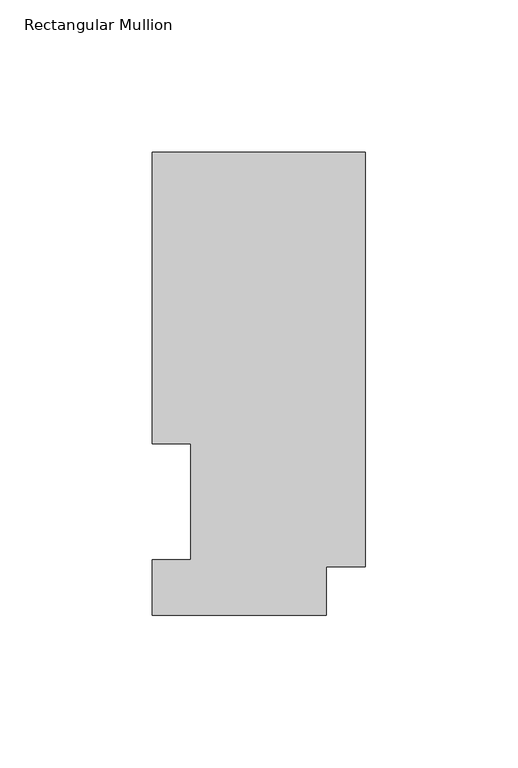
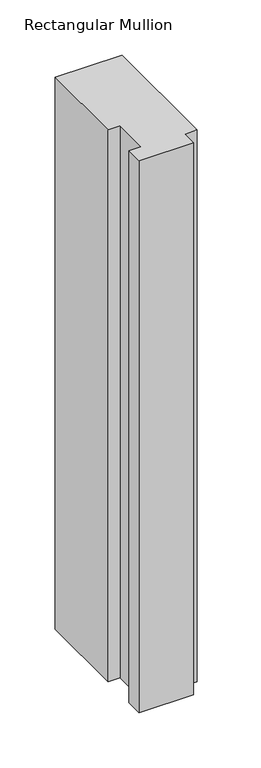
"""IFC4 building model written with IfcOpenShell, lengths in millimetres: member geometry, Rectangular Mullion."""

from ifc_helpers import new_model, si_unit, frame, origin, place, context, project, spatial, polyline, outline, extrude, source, transform, mapped, element, save


def rectangular_mullion_bdbdc713(model_context):
    return source(origin(), model_context, "Body", "SweptSolid", [
        extrude(outline(polyline([(-69.9516, 56.35625), (-69.9516, 151.98725), (0.0, 151.98725), (0.0, 15.86865), (-12.8016, 15.86865), (-12.8016, -0.03175), (-69.9516, -0.03175), (-69.9516, 18.25625), (-57.2516, 18.25625), (-57.2516, 56.35625), (-69.9516, 56.35625)])), frame((0.0, 0.0, -609.6), z_axis=(0.0, 0.0, 1.0), x_axis=(1.0, 0.0, 0.0)), (0.0, 0.0, 1.0), 609.6),
    ])


if __name__ == "__main__":
    model = new_model("IFC4")
    model_context = context("Model", 3, world=origin())
    ifc_project = project(units=[si_unit("LENGTHUNIT", "METRE", prefix="MILLI")], contexts=[model_context])
    site = spatial("IfcSite", under=ifc_project)
    building = spatial("IfcBuilding", under=site)
    placement = place(None, origin())
    rectangular_mullion_shape = rectangular_mullion_bdbdc713(model_context)
    element("IfcMember", 1, ObjectType="Rectangular Mullion", at=placement, inside=building, context=model_context, shape_type="MappedRepresentation", body=[
        mapped(rectangular_mullion_shape, transform((0.0, 0.0, 0.0), x_axis=(1.0, 0.0, 0.0), y_axis=(0.0, 1.0, 0.0), z_axis=(0.0, 0.0, 1.0))),
    ])
    save(model, "model.ifc")
